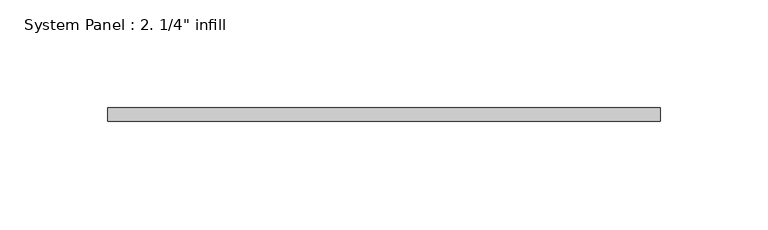
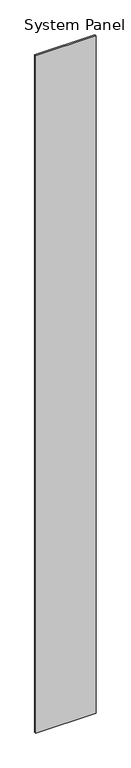
"""IFC4 building model written with IfcOpenShell, lengths in millimetres: plate geometry."""

from ifc_helpers import new_model, si_unit, origin, origin_with_axes, place, context, project, spatial, polyline, outline, extrude, source, transform, mapped, element, save


def plate_3dbcf765(model_context):
    return source(origin(), model_context, "Body", "SweptSolid", [
        extrude(outline(polyline([(128.5425479, 0.0), (-128.5425479, 0.0), (-128.5425479, 6.35), (128.5425479, 6.35), (128.5425479, 0.0)])), origin_with_axes(), (0.0, 0.0, 1.0), 3048.0),
    ])


if __name__ == "__main__":
    model = new_model("IFC4")
    model_context = context("Model", 3, world=origin())
    ifc_project = project(units=[si_unit("LENGTHUNIT", "METRE", prefix="MILLI")], contexts=[model_context])
    site = spatial("IfcSite", under=ifc_project)
    building = spatial("IfcBuilding", under=site)
    placement = place(None, origin())
    plate_shape = plate_3dbcf765(model_context)
    element("IfcPlate", 1, ObjectType="System Panel : 2. 1/4\" infill", at=placement, inside=building, context=model_context, shape_type="MappedRepresentation", body=[
        mapped(plate_shape, transform((0.0, 0.0, 0.0), x_axis=(1.0, 0.0, 0.0), y_axis=(0.0, 1.0, 0.0), z_axis=(0.0, 0.0, 1.0))),
    ])
    save(model, "model.ifc")
